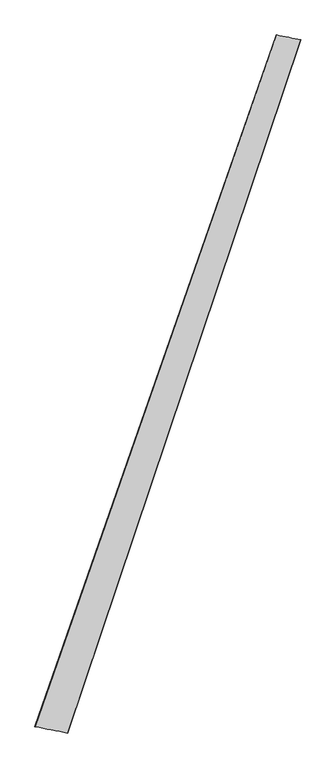
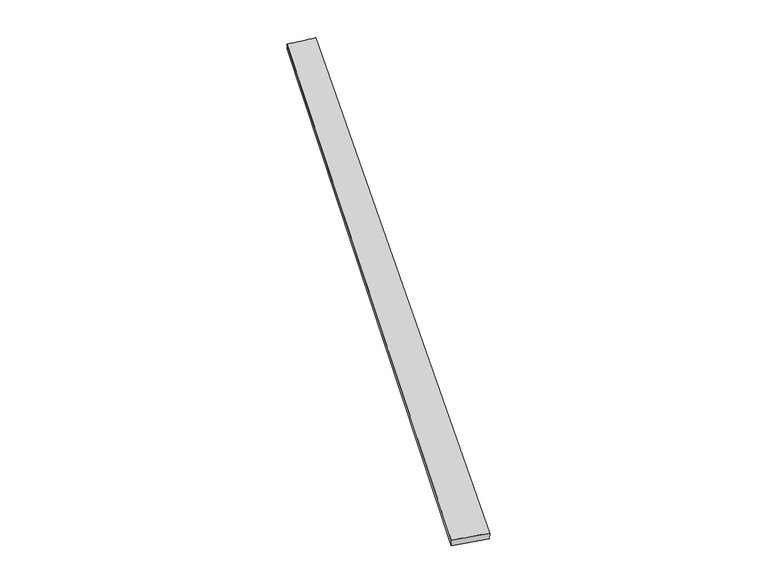
"""IFC4 building model written with IfcOpenShell, lengths in millimetres: proxy geometry."""

from ifc_helpers import new_model, si_unit, frame, origin, place, context, project, spatial, source, transform, mapped, element, save
from ifc_brep_helpers import plane_surface, spline_surface, advanced_brep


def generic_models_d23112e8(model_context):
    return source(origin(), model_context, "Body", "AdvancedBrep", [
        advanced_brep(
        [(-674.3284016, -1708.2986175, 1.424758), (-673.7769729, -1708.4654953, 31.4192255), (663.9647484, 2120.3769302, 28.0481691), (665.4777521, 2119.8213088, -1.9085014), (-492.0211331, -1744.2414834, 28.5731399), (801.1146222, 2092.584788, 31.9086786), (-492.3285129, -1744.1117874, -1.425005), (801.1791624, 2092.5890961, 1.9087483)],
        [
            (0, 1),
            (1, 2),
            (2, 3),
            (3, 0),
            (1, 4),
            (4, 5),
            (5, 2),
            (4, 6),
            (6, 7),
            (7, 5),
            (6, 0),
            (3, 7),
        ],
        [
            spline_surface(1, 1, [[(-674.3284016, -1708.2986175, 1.424758), (665.4777521, 2119.8213088, -1.9085014)], [(-673.7769729, -1708.4654953, 31.4192255), (663.9647484, 2120.3769302, 28.0481691)]], [2, 2], [2, 2], [0.0, 1.0], [0.0, 1.0]),
            spline_surface(1, 1, [[(-673.7769729, -1708.4654953, 31.4192255), (663.9647484, 2120.3769302, 28.0481691)], [(-492.0211331, -1744.2414834, 28.5731399), (801.1146222, 2092.584788, 31.9086786)]], [2, 2], [2, 2], [0.0, 1.0], [0.0, 1.0]),
            spline_surface(1, 1, [[(-492.0211331, -1744.2414834, 28.5731399), (801.1146222, 2092.584788, 31.9086786)], [(-492.3285129, -1744.1117874, -1.425005), (801.1791624, 2092.5890961, 1.9087483)]], [2, 2], [2, 2], [0.0, 1.0], [0.0, 1.0]),
            spline_surface(1, 1, [[(-492.3285129, -1744.1117874, -1.425005), (801.1791624, 2092.5890961, 1.9087483)], [(-674.3284016, -1708.2986175, 1.424758), (665.4777521, 2119.8213088, -1.9085014)]], [2, 2], [2, 2], [0.0, 1.0], [0.0, 1.0]),
            spline_surface(1, 1, [[(663.9647484, 2120.3769302, 28.0481691), (665.4777521, 2119.8213088, -1.9085014)], [(801.1146222, 2092.584788, 31.9086786), (801.1791624, 2092.5890961, 1.9087483)]], [2, 2], [2, 2], [0.0, 1.0], [0.0, 1.0]),
            plane_surface(frame((-583.1137552, -1726.2793459, 14.9980296), z_axis=(-0.193106936351538, -0.9811751057964397, -0.002263382042081497), x_axis=(0.9810685570014759, -0.19305052998385452, -0.015361618924936043))),
        ],
        [
            (0, [[1, 2, 3, 4]]),
            (1, [[5, 6, 7, -2]]),
            (2, [[8, 9, 10, -6]]),
            (3, [[11, -4, 12, -9]]),
            (4, [[-3, -7, -10, -12]]),
            (5, [[-11, -8, -5, -1]]),
        ],
    ),
    ])


if __name__ == "__main__":
    model = new_model("IFC4")
    model_context = context("Model", 3, world=origin())
    ifc_project = project(units=[si_unit("LENGTHUNIT", "METRE", prefix="MILLI")], contexts=[model_context])
    site = spatial("IfcSite", under=ifc_project)
    building = spatial("IfcBuilding", under=site)
    placement = place(None, origin())
    generic_models_shape = generic_models_d23112e8(model_context)
    element("IfcBuildingElementProxy", 1, Name="Generic Models", at=placement, inside=building, context=model_context, shape_type="MappedRepresentation", body=[
        mapped(generic_models_shape, transform((0.0, 0.0, 0.0), x_axis=(1.0, 0.0, 0.0), y_axis=(0.0, 1.0, 0.0), z_axis=(0.0, 0.0, 1.0))),
    ])
    save(model, "model.ifc")
